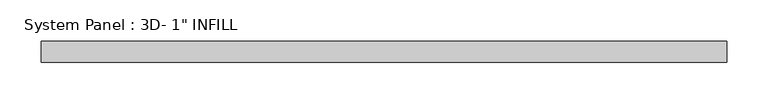
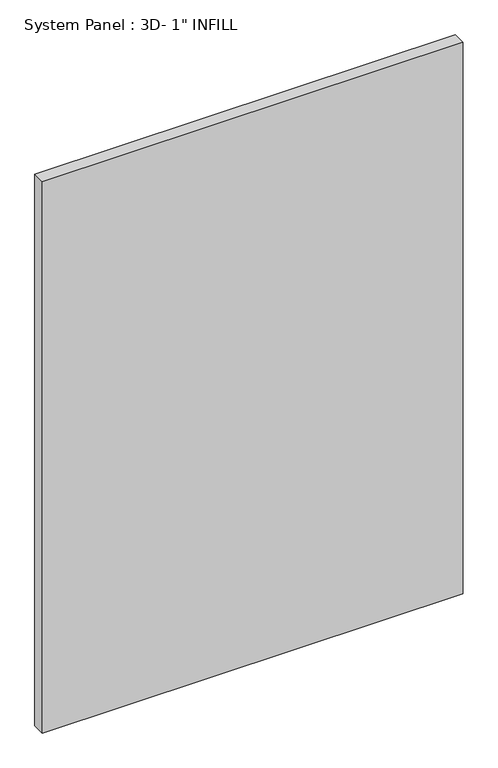
"""IFC4 building model written with IfcOpenShell, lengths in millimetres: plate geometry."""

import ifcopenshell
import ifcopenshell.guid

model = None  # the IFC model being written
_history = None  # IfcOwnerHistory: only IFC2X3 demands one
_inside = {}  # id of a spatial element -> (the spatial element, [elements in it])
_under = {}  # id of a project, library or spatial element -> (it, [spatial elements below it])
_declared = {}  # id of a project -> (the project, [libraries it declares])
_typed = {}  # id of a type object -> (the type object, [elements of that type])
_made_of = {}  # id of a material, layer set ... -> (it, [elements and type objects made of it])


def new_model(schema):
    """Start an empty IFC model of exactly this schema.

    Asked for "IFC4X3", IfcOpenShell would pick the latest addendum, in which some entities
    have other attributes; the version numbers below select the first issue.
    IFC2X3 requires an IfcOwnerHistory on every rooted entity: one is made here for all.
    """
    global model, _history
    if schema == "IFC4X3":
        model = ifcopenshell.file(schema_version=(4, 3, 0, 0))
    else:
        model = ifcopenshell.file(schema=schema)
    _inside.clear()
    _under.clear()
    _declared.clear()
    _typed.clear()
    _made_of.clear()
    _history = None
    if model.schema == "IFC2X3":
        org = make("IfcOrganization", Name="unknown")
        user = make(
            "IfcPersonAndOrganization",
            ThePerson=make("IfcPerson", FamilyName="unknown"),
            TheOrganization=org,
        )
        app = make(
            "IfcApplication",
            ApplicationDeveloper=org,
            Version="unknown",
            ApplicationFullName="unknown",
            ApplicationIdentifier="unknown",
        )
        _history = make(
            "IfcOwnerHistory",
            OwningUser=user,
            OwningApplication=app,
            ChangeAction="ADDED",
            CreationDate=0,
        )
    return model


def make(cls, **values):
    """One entity of the class cls with the attributes given. An attribute that is None is left unset."""
    return model.create_entity(
        cls, **{name: value for name, value in values.items() if value is not None}
    )


def rooted(cls, **values):
    """An entity with a GlobalId (a new one), such as an element, a storey or a relation."""
    return make(cls, GlobalId=ifcopenshell.guid.new(), OwnerHistory=_history, **values)


def si_unit(unit_type, name, prefix=None):
    """IfcSIUnit, for example si_unit("LENGTHUNIT", "METRE", prefix="MILLI")."""
    return make("IfcSIUnit", UnitType=unit_type, Prefix=prefix, Name=name)


def assignment(units):
    """IfcUnitAssignment: the units of a project."""
    return None if units is None else make("IfcUnitAssignment", Units=units)


def point(xyz):
    """IfcCartesianPoint."""
    return None if xyz is None else make("IfcCartesianPoint", Coordinates=xyz)


def direction(xyz):
    """IfcDirection."""
    return None if xyz is None else make("IfcDirection", DirectionRatios=xyz)


def frame(location, z_axis=None, x_axis=None):
    """IfcAxis2Placement3D, a coordinate frame: its origin and axes. An axis left out is left unset."""
    return make(
        "IfcAxis2Placement3D",
        Location=point(location),
        Axis=direction(z_axis),
        RefDirection=direction(x_axis),
    )


def origin():
    """The frame at (0, 0, 0) with its axes left unset."""
    return frame((0.0, 0.0, 0.0))


def origin_with_axes():
    """The frame at (0, 0, 0) with the z axis (0, 0, 1) and the x axis (1, 0, 0) written out."""
    return frame((0.0, 0.0, 0.0), z_axis=(0.0, 0.0, 1.0), x_axis=(1.0, 0.0, 0.0))


def place(relative_to, where):
    """IfcLocalPlacement: puts the frame where relative to a parent placement (None: the world)."""
    return make(
        "IfcLocalPlacement", PlacementRelTo=relative_to, RelativePlacement=where
    )


def context(
    kind, dimensions, precision=None, world=None, true_north=None, identifier=None
):
    """IfcGeometricRepresentationContext, for example the 3D "Model" context."""
    return make(
        "IfcGeometricRepresentationContext",
        ContextIdentifier=identifier,
        ContextType=kind,
        CoordinateSpaceDimension=dimensions,
        Precision=precision,
        WorldCoordinateSystem=world,
        TrueNorth=true_north,
    )


def project(units=None, contexts=None):
    """IfcProject with its units and contexts."""
    return rooted(
        "IfcProject",
        Name="project",
        RepresentationContexts=contexts,
        UnitsInContext=assignment(units),
    )


def spatial(cls, under=None, at=None, **own):
    """A site, building, storey or space (cls), placed at a placement, below another one or the project."""
    s = rooted(cls, ObjectPlacement=at, **own)
    if under is not None:
        _under.setdefault(under.id(), (under, []))[1].append(s)
    return s


def polyline(points):
    """IfcPolyline through the points."""
    return make("IfcPolyline", Points=[point(p) for p in points])


def outline(outer, holes=None, kind="AREA"):
    """IfcArbitraryClosedProfileDef: a profile drawn as a closed curve; with holes, ...WithVoids."""
    if holes is None:
        return make("IfcArbitraryClosedProfileDef", ProfileType=kind, OuterCurve=outer)
    return make(
        "IfcArbitraryProfileDefWithVoids",
        ProfileType=kind,
        OuterCurve=outer,
        InnerCurves=holes,
    )


def extrude(swept, where, along, depth):
    """IfcExtrudedAreaSolid: the profile swept, set in the frame where, extruded along a direction by depth."""
    return make(
        "IfcExtrudedAreaSolid",
        SweptArea=swept,
        Position=where,
        ExtrudedDirection=direction(along),
        Depth=depth,
    )


def shape(context_of_items, identifier, shape_type, items):
    """IfcShapeRepresentation: the items that make up one representation, for example the "Body"."""
    return make(
        "IfcShapeRepresentation",
        ContextOfItems=context_of_items,
        RepresentationIdentifier=identifier,
        RepresentationType=shape_type,
        Items=items,
    )


def source(mapping_origin, context_of_items, identifier, shape_type, items):
    """IfcRepresentationMap: a shape defined once, which mapped items show again and again."""
    return make(
        "IfcRepresentationMap",
        MappingOrigin=mapping_origin,
        MappedRepresentation=shape(context_of_items, identifier, shape_type, items),
    )


def transform(
    local_origin,
    x_axis=None,
    y_axis=None,
    z_axis=None,
    scale=None,
    scale2=None,
    scale3=None,
    uniform=True,
):
    """IfcCartesianTransformationOperator3D, or its non-uniform kind. x_axis, y_axis, z_axis: its Axis1, 2, 3."""
    if uniform:
        return make(
            "IfcCartesianTransformationOperator3D",
            Axis1=direction(x_axis),
            Axis2=direction(y_axis),
            LocalOrigin=point(local_origin),
            Scale=scale,
            Axis3=direction(z_axis),
        )
    return make(
        "IfcCartesianTransformationOperator3DnonUniform",
        Axis1=direction(x_axis),
        Axis2=direction(y_axis),
        LocalOrigin=point(local_origin),
        Scale=scale,
        Axis3=direction(z_axis),
        Scale2=scale2,
        Scale3=scale3,
    )


def mapped(mapping_source, mapping_target):
    """IfcMappedItem: shows the shape of a source again, moved by a transform."""
    return make(
        "IfcMappedItem", MappingSource=mapping_source, MappingTarget=mapping_target
    )


def made_of(thing, what):
    """Note that an element or type object is made of a material, layer set ...; save() writes the relation."""
    if what is not None:
        _made_of.setdefault(what.id(), (what, []))[1].append(thing)
    return thing


def element(
    cls,
    number,
    at=None,
    inside=None,
    cuts=None,
    type_object=None,
    material=None,
    context=None,
    identifier="Body",
    shape_type=None,
    held_by="IfcProductDefinitionShape",
    body=None,
    shapes=None,
    **own,
):
    """One element of the class cls, such as IfcWall. Its Tag is "e" and its number.

    at: its placement. inside: the storey or other place that contains it. cuts: it is an
    opening in that element (IfcRelVoidsElement). A single representation is given by context,
    identifier, shape_type and body (its items); several are given by shapes. held_by: the class
    of the entity that holds the representations. save() writes the other relations.
    """
    e = rooted(cls, Tag="e%d" % number, ObjectPlacement=at, **own)
    if body is not None:
        shapes = [shape(context, identifier, shape_type, body)]
    if shapes is not None:
        e.Representation = make(held_by, Representations=shapes)
    if inside is not None:
        _inside.setdefault(inside.id(), (inside, []))[1].append(e)
    if cuts is not None:
        rooted(
            "IfcRelVoidsElement", RelatingBuildingElement=cuts, RelatedOpeningElement=e
        )
    if type_object is not None:
        _typed.setdefault(type_object.id(), (type_object, []))[1].append(e)
    return made_of(e, material)


def aggregate(whole, parts):
    """IfcRelAggregates: a whole, such as a stair, and the parts it consists of."""
    return rooted("IfcRelAggregates", RelatingObject=whole, RelatedObjects=parts)


def save(model, path):
    """Write the relations noted so far, then the file.

    IfcRelAggregates (storeys below a building ...), IfcRelContainedInSpatialStructure (elements
    in a storey), IfcRelDefinesByType, IfcRelAssociatesMaterial and IfcRelDeclares: one each for
    every whole, place, type object, material and project.
    """
    for whole, parts in _under.values():
        aggregate(whole, parts)
    for where, things in _inside.values():
        rooted(
            "IfcRelContainedInSpatialStructure",
            RelatedElements=things,
            RelatingStructure=where,
        )
    for kind, things in _typed.values():
        rooted("IfcRelDefinesByType", RelatedObjects=things, RelatingType=kind)
    for what, things in _made_of.values():
        rooted("IfcRelAssociatesMaterial", RelatedObjects=things, RelatingMaterial=what)
    for by, libraries in _declared.values():
        rooted("IfcRelDeclares", RelatingContext=by, RelatedDefinitions=libraries)
    model.write(path)


def plate_aae7d818(model_context):
    return source(origin(), model_context, "Body", "SweptSolid", [
        extrude(outline(polyline([(414.2252689, -5.4570312), (-414.2252689, -5.4570312), (-414.2252689, 19.9429688), (414.2252689, 19.9429688), (414.2252689, -5.4570312)])), origin_with_axes(), (0.0, 0.0, 1.0), 1147.0230159),
    ])


if __name__ == "__main__":
    model = new_model("IFC4")
    model_context = context("Model", 3, world=origin())
    ifc_project = project(units=[si_unit("LENGTHUNIT", "METRE", prefix="MILLI")], contexts=[model_context])
    site = spatial("IfcSite", under=ifc_project)
    building = spatial("IfcBuilding", under=site)
    placement = place(None, origin())
    plate_shape = plate_aae7d818(model_context)
    element("IfcPlate", 1, ObjectType="System Panel : 3D- 1\" INFILL", at=placement, inside=building, context=model_context, shape_type="MappedRepresentation", body=[
        mapped(plate_shape, transform((0.0, 0.0, 0.0), x_axis=(1.0, 0.0, 0.0), y_axis=(0.0, 1.0, 0.0), z_axis=(0.0, 0.0, 1.0))),
    ])
    save(model, "model.ifc")
